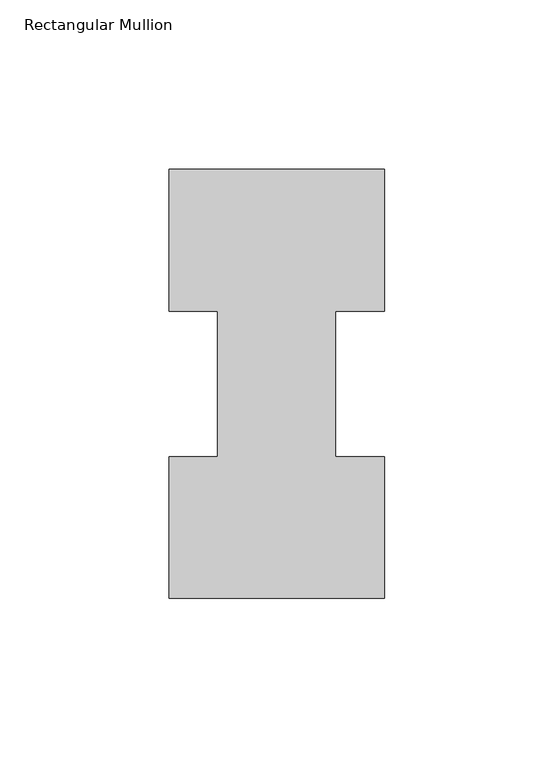
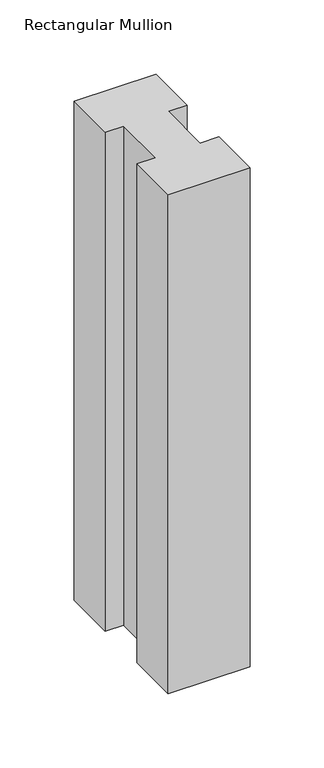
"""IFC4 building model written with IfcOpenShell, lengths in millimetres: member geometry, Rectangular Mullion."""

from ifc_helpers import new_model, si_unit, frame, origin, place, context, project, spatial, polyline, outline, extrude, source, transform, mapped, element, save


def rectangular_mullion_3bdb5cbd(model_context):
    return source(origin(), model_context, "Body", "SweptSolid", [
        extrude(outline(polyline([(-63.5, -0.0373062), (-63.5, 41.7837937), (-49.2125, 41.7837937), (-49.2125, 84.6335937), (-63.5, 84.6335937), (-63.5, 126.4546937), (0.0, 126.4546937), (0.0, 84.6335937), (-14.4999808, 84.6335937), (-14.4999808, 41.7837937), (0.0, 41.7837937), (0.0, -0.0373062), (-63.5, -0.0373062)])), frame((0.0, 0.0, -409.575), z_axis=(0.0, 0.0, 1.0), x_axis=(1.0, 0.0, 0.0)), (0.0, 0.0, 1.0), 409.575),
    ])


if __name__ == "__main__":
    model = new_model("IFC4")
    model_context = context("Model", 3, world=origin())
    ifc_project = project(units=[si_unit("LENGTHUNIT", "METRE", prefix="MILLI")], contexts=[model_context])
    site = spatial("IfcSite", under=ifc_project)
    building = spatial("IfcBuilding", under=site)
    placement = place(None, origin())
    rectangular_mullion_shape = rectangular_mullion_3bdb5cbd(model_context)
    element("IfcMember", 1, ObjectType="Rectangular Mullion", at=placement, inside=building, context=model_context, shape_type="MappedRepresentation", body=[
        mapped(rectangular_mullion_shape, transform((0.0, 0.0, 0.0), x_axis=(1.0, 0.0, 0.0), y_axis=(0.0, 1.0, 0.0), z_axis=(0.0, 0.0, 1.0))),
    ])
    save(model, "model.ifc")
